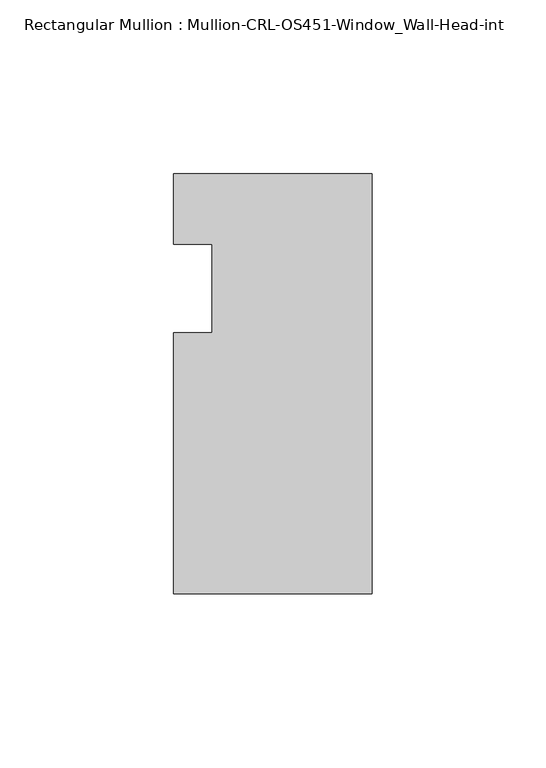
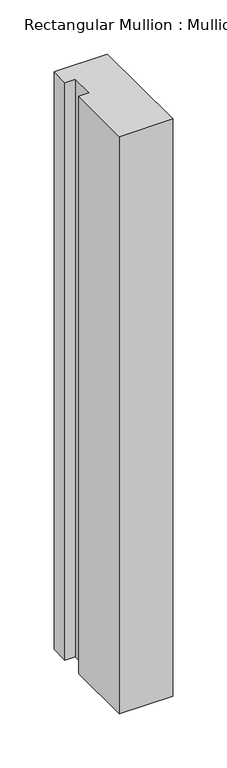
"""IFC4 building model written with IfcOpenShell, lengths in millimetres: member geometry, Rectangular Mullion : Mullion-CRL-OS451-Window_Wall-Head-int."""

from ifc_helpers import new_model, si_unit, frame, origin, place, context, project, spatial, polyline, outline, extrude, source, transform, mapped, element, save


def rectangular_mullion_mullion_crl_os451_window_wall_head_int_78317f38(model_context):
    return source(origin(), model_context, "Body", "SweptSolid", [
        extrude(outline(polyline([(-57.1500484, 12.6024125), (-57.1500484, 32.8987854), (0.0, 32.8987854), (0.0, -87.9036146), (-57.1500484, -87.9036146), (-57.1500484, -12.7975875), (-46.0286759, -12.7975875), (-46.0286759, 12.6024125), (-57.1500484, 12.6024125)])), frame((0.0, 0.0, -652.5635658), z_axis=(0.0, 0.0, 1.0), x_axis=(1.0, 0.0, 0.0)), (0.0, 0.0, 1.0), 652.5635658),
    ])


if __name__ == "__main__":
    model = new_model("IFC4")
    model_context = context("Model", 3, world=origin())
    ifc_project = project(units=[si_unit("LENGTHUNIT", "METRE", prefix="MILLI")], contexts=[model_context])
    site = spatial("IfcSite", under=ifc_project)
    building = spatial("IfcBuilding", under=site)
    placement = place(None, origin())
    rectangular_mullion_mullion_crl_os451_window_wall_head_int_shape = rectangular_mullion_mullion_crl_os451_window_wall_head_int_78317f38(model_context)
    element("IfcMember", 1, ObjectType="Rectangular Mullion : Mullion-CRL-OS451-Window_Wall-Head-int", at=placement, inside=building, context=model_context, shape_type="MappedRepresentation", body=[
        mapped(rectangular_mullion_mullion_crl_os451_window_wall_head_int_shape, transform((0.0, 0.0, 0.0), x_axis=(1.0, 0.0, 0.0), y_axis=(0.0, 1.0, 0.0), z_axis=(0.0, 0.0, 1.0))),
    ])
    save(model, "model.ifc")
